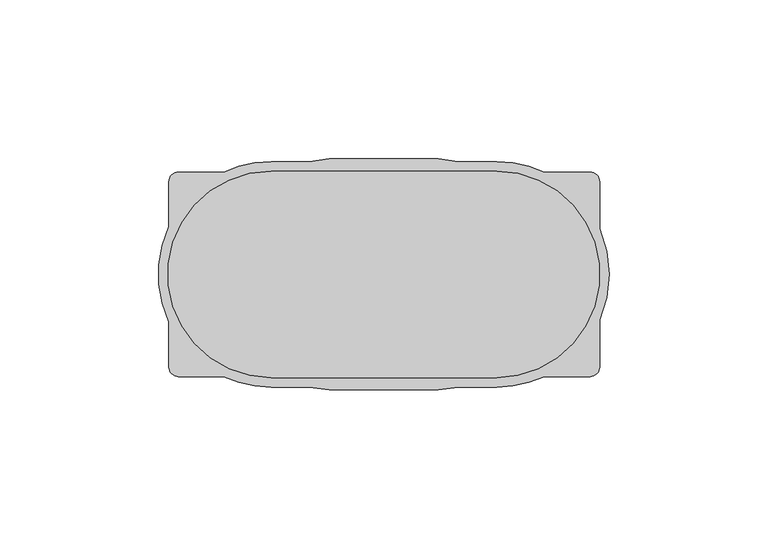
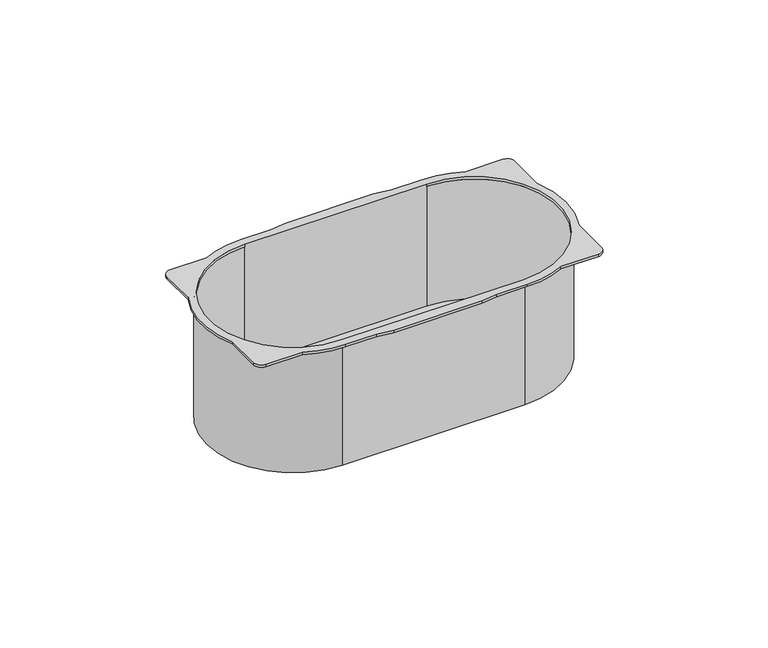
"""IFC4 building model written with IfcOpenShell, lengths in millimetres: proxy geometry."""

from ifc_helpers import new_model, si_unit, point, frame, frame_2d, origin, place, context, project, spatial, polyline, circle_curve, trimmed, segment, composite_curve, outline, extrude, source, transform, mapped, element, save
from ifc_brep_helpers import plane_surface, cylinder_surface, revolved_surface, advanced_brep


def electrical_fixtures_acc612e9(model_context):
    return source(origin(), model_context, "Body", "SolidModel", [
        advanced_brep(
        [(-35.5, 33.5, -50.0), (35.5012828, 33.5, -50.0), (35.5012828, -33.5, -50.0), (-35.5, -33.5, -50.0), (-35.5, 32.5, -50.0), (-35.5, -32.5, -50.0), (35.5012828, -32.5, -50.0), (35.5012828, 32.5, -50.0), (67.9725964, -14.3479544, 1.0), (67.9725964, 14.3479544, 1.0), (67.9725964, 29.1875, 1.0), (64.9725964, 32.1875, 1.0), (50.475088, 32.1875, 1.0), (35.5012828, 35.5, 1.0), (23.5182585, 35.5, 1.0), (17.1783104, 36.4, 1.0), (-17.1783104, 36.4, 1.0), (-23.5182585, 35.5, 1.0), (-35.5, 35.5, 1.0), (-50.4738053, 32.1875, 1.0), (-64.6875, 32.1875, 1.0), (-67.6875, 29.1875, 1.0), (-67.6875, 14.9738053, 1.0), (-67.6875, -14.9738053, 1.0), (-67.6875, -29.1875, 1.0), (-64.6875, -32.1875, 1.0), (-50.4738053, -32.1875, 1.0), (-35.5, -35.5, 1.0), (-23.5182585, -35.5, 1.0), (-17.1783104, -36.4, 1.0), (17.1783104, -36.4, 1.0), (23.5182585, -35.5, 1.0), (35.5012828, -35.5, 1.0), (50.475088, -32.1875, 1.0), (64.9725964, -32.1875, 1.0), (67.9725964, -29.1875, 1.0), (35.5012828, 32.5, 1.0), (35.5012828, -32.5, 1.0), (-35.5, -32.5, 1.0), (-35.5, 32.5, 1.0), (67.9725964, -14.3479544, 0.0), (67.9725964, -29.1875, 0.0), (64.9725964, -32.1875, 0.0), (50.475088, -32.1875, 0.0), (35.5012828, -35.5, 0.0), (23.5182585, -35.5, 0.0), (17.1783104, -36.4, 0.0), (-17.1783104, -36.4, 0.0), (-23.5182585, -35.5, 0.0), (-35.5, -35.5, 0.0), (-50.4738053, -32.1875, 0.0), (-64.6875, -32.1875, 0.0), (-67.6875, -29.1875, 0.0), (-67.6875, -14.9738053, 0.0), (-67.6875, 14.9738053, 0.0), (-67.6875, 29.1875, 0.0), (-64.6875, 32.1875, 0.0), (-50.4738053, 32.1875, 0.0), (-35.5, 35.5, 0.0), (-23.5182585, 35.5, 0.0), (-17.1783104, 36.4, 0.0), (17.1783104, 36.4, 0.0), (23.5182585, 35.5, 0.0), (35.5012828, 35.5, 0.0), (50.475088, 32.1875, 0.0), (64.9725964, 32.1875, 0.0), (67.9725964, 29.1875, 0.0), (67.9725964, 14.3479544, 0.0), (-35.5, 33.5, 0.0), (-35.5, -33.5, 0.0), (35.5012828, -33.5, 0.0), (35.5012828, 33.5, 0.0), (35.5012828, 32.5, 0.0), (35.5012828, -32.5, 0.0), (-35.5, -32.5, 0.0), (-35.5, 32.5, 0.0)],
        [
            (0, 1),
            (1, 2, circle_curve(frame((35.5012828, 0.0, -50.0), z_axis=(0.0, 0.0, -1.0), x_axis=(1.0, 0.0, 0.0)), 33.5)),
            (2, 3),
            (3, 0, circle_curve(frame((-35.5, 0.0, -50.0), z_axis=(0.0, 0.0, -1.0), x_axis=(-1.0, 0.0, 0.0)), 33.5)),
            (4, 5, circle_curve(frame((-35.5, 0.0, -50.0), z_axis=(0.0, 0.0, 1.0), x_axis=(-1.0, 0.0, 0.0)), 32.5)),
            (5, 6),
            (6, 7, circle_curve(frame((35.5012828, 0.0, -50.0), z_axis=(0.0, 0.0, 1.0), x_axis=(1.0, 0.0, 0.0)), 32.5)),
            (7, 4),
            (8, 9, circle_curve(frame((35.5012828, 0.0, 1.0), z_axis=(0.0, 0.0, 1.0), x_axis=(1.0, 0.0, 0.0)), 35.5)),
            (9, 10),
            (10, 11, circle_curve(frame((64.9725964, 29.1875, 1.0), z_axis=(0.0, 0.0, 1.0), x_axis=(-1.0, 0.0, 0.0)), 3.0)),
            (11, 12),
            (12, 13, circle_curve(frame((35.5012828, 0.0, 1.0), z_axis=(0.0, 0.0, 1.0), x_axis=(1.0, 0.0, 0.0)), 35.5)),
            (13, 14),
            (14, 15),
            (15, 16),
            (16, 17),
            (17, 18),
            (18, 19, circle_curve(frame((-35.5, 0.0, 1.0), z_axis=(0.0, 0.0, 1.0), x_axis=(-1.0, 0.0, 0.0)), 35.5)),
            (19, 20),
            (20, 21, circle_curve(frame((-64.6875, 29.1875, 1.0), z_axis=(0.0, 0.0, 1.0), x_axis=(1.0, 0.0, 0.0)), 3.0)),
            (21, 22),
            (22, 23, circle_curve(frame((-35.5, 0.0, 1.0), z_axis=(0.0, 0.0, 1.0), x_axis=(-1.0, 0.0, 0.0)), 35.5)),
            (23, 24),
            (24, 25, circle_curve(frame((-64.6875, -29.1875, 1.0), z_axis=(0.0, 0.0, 1.0), x_axis=(1.0, 0.0, 0.0)), 3.0)),
            (25, 26),
            (26, 27, circle_curve(frame((-35.5, 0.0, 1.0), z_axis=(0.0, 0.0, 1.0), x_axis=(-1.0, 0.0, 0.0)), 35.5)),
            (27, 28),
            (28, 29),
            (29, 30),
            (30, 31),
            (31, 32),
            (32, 33, circle_curve(frame((35.5012828, 0.0, 1.0), z_axis=(0.0, 0.0, 1.0), x_axis=(1.0, 0.0, 0.0)), 35.5)),
            (33, 34),
            (34, 35, circle_curve(frame((64.9725964, -29.1875, 1.0), z_axis=(0.0, 0.0, 1.0), x_axis=(-1.0, 0.0, 0.0)), 3.0)),
            (35, 8),
            (36, 37, circle_curve(frame((35.5012828, 0.0, 1.0), z_axis=(0.0, 0.0, -1.0), x_axis=(1.0, 0.0, 0.0)), 32.5)),
            (37, 38),
            (38, 39, circle_curve(frame((-35.5, 0.0, 1.0), z_axis=(0.0, 0.0, -1.0), x_axis=(-1.0, 0.0, 0.0)), 32.5)),
            (39, 36),
            (40, 41),
            (41, 42, circle_curve(frame((64.9725964, -29.1875, 0.0), z_axis=(0.0, 0.0, -1.0), x_axis=(-1.0, 0.0, 0.0)), 3.0)),
            (42, 43),
            (43, 44, circle_curve(frame((35.5012828, 0.0, 0.0), z_axis=(0.0, 0.0, -1.0), x_axis=(1.0, 0.0, 0.0)), 35.5)),
            (44, 45),
            (45, 46),
            (46, 47),
            (47, 48),
            (48, 49),
            (49, 50, circle_curve(frame((-35.5, 0.0, 0.0), z_axis=(0.0, 0.0, -1.0), x_axis=(-1.0, 0.0, 0.0)), 35.5)),
            (50, 51),
            (51, 52, circle_curve(frame((-64.6875, -29.1875, 0.0), z_axis=(0.0, 0.0, -1.0), x_axis=(1.0, 0.0, 0.0)), 3.0)),
            (52, 53),
            (53, 54, circle_curve(frame((-35.5, 0.0, 0.0), z_axis=(0.0, 0.0, -1.0), x_axis=(-1.0, 0.0, 0.0)), 35.5)),
            (54, 55),
            (55, 56, circle_curve(frame((-64.6875, 29.1875, 0.0), z_axis=(0.0, 0.0, -1.0), x_axis=(1.0, 0.0, 0.0)), 3.0)),
            (56, 57),
            (57, 58, circle_curve(frame((-35.5, 0.0, 0.0), z_axis=(0.0, 0.0, -1.0), x_axis=(-1.0, 0.0, 0.0)), 35.5)),
            (58, 59),
            (59, 60),
            (60, 61),
            (61, 62),
            (62, 63),
            (63, 64, circle_curve(frame((35.5012828, 0.0, 0.0), z_axis=(0.0, 0.0, -1.0), x_axis=(1.0, 0.0, 0.0)), 35.5)),
            (64, 65),
            (65, 66, circle_curve(frame((64.9725964, 29.1875, 0.0), z_axis=(0.0, 0.0, -1.0), x_axis=(-1.0, 0.0, 0.0)), 3.0)),
            (66, 67),
            (67, 40, circle_curve(frame((35.5012828, 0.0, 0.0), z_axis=(0.0, 0.0, -1.0), x_axis=(1.0, 0.0, 0.0)), 35.5)),
            (68, 69, circle_curve(frame((-35.5, 0.0, 0.0), z_axis=(0.0, 0.0, 1.0), x_axis=(-1.0, 0.0, 0.0)), 33.5)),
            (69, 70),
            (70, 71, circle_curve(frame((35.5012828, 0.0, 0.0), z_axis=(0.0, 0.0, 1.0), x_axis=(1.0, 0.0, 0.0)), 33.5)),
            (71, 68),
            (35, 41),
            (40, 8),
            (10, 66),
            (65, 11),
            (64, 12),
            (33, 43),
            (42, 34),
            (9, 67),
            (63, 13),
            (32, 44),
            (62, 14),
            (18, 58),
            (57, 19),
            (56, 20),
            (55, 21),
            (54, 22),
            (53, 23),
            (52, 24),
            (51, 25),
            (50, 26),
            (49, 27),
            (31, 45),
            (36, 72),
            (72, 73, circle_curve(frame((35.5012828, 0.0, 0.0), z_axis=(0.0, 0.0, -1.0), x_axis=(1.0, 0.0, 0.0)), 32.5)),
            (73, 37),
            (38, 74),
            (74, 75, circle_curve(frame((-35.5, 0.0, 0.0), z_axis=(0.0, 0.0, -1.0), x_axis=(-1.0, 0.0, 0.0)), 32.5)),
            (75, 39),
            (3, 69),
            (68, 0),
            (2, 70),
            (1, 71),
            (7, 72),
            (75, 4),
            (6, 73),
            (5, 74),
            (61, 15),
            (60, 16),
            (59, 17),
            (48, 28),
            (47, 29),
            (46, 30),
        ],
        [
            plane_surface(frame((-69.0, 0.0, -50.0), z_axis=(0.0, 0.0, -1.0), x_axis=(0.0, 1.0, 0.0))),
            plane_surface(frame((71.0012828, 0.0, 1.0), z_axis=(0.0, 0.0, 1.0), x_axis=(0.0, 1.0, 0.0))),
            plane_surface(frame((71.0012828, 0.0, 0.0), z_axis=(0.0, 0.0, -1.0), x_axis=(0.0, -1.0, 0.0))),
            plane_surface(frame((67.9725964, -29.1875, 1.0), z_axis=(1.0, 0.0, 0.0), x_axis=(0.0, 0.0, -1.0))),
            cylinder_surface(frame((64.9725964, 29.1875, 0.0), z_axis=(0.0, 0.0, 1.0), x_axis=(-1.0, 0.0, 0.0)), 3.0),
            plane_surface(frame((64.9725964, 32.1875, 1.0), z_axis=(0.0, 1.0, 0.0), x_axis=(0.0, 0.0, -1.0))),
            plane_surface(frame((50.475088, -32.1875, 1.0), z_axis=(0.0, -1.0, 0.0), x_axis=(0.0, 0.0, -1.0))),
            cylinder_surface(frame((64.9725964, -29.1875, 0.0), z_axis=(0.0, 0.0, 1.0), x_axis=(-1.0, 0.0, 0.0)), 3.0),
            plane_surface(frame((67.9725964, 14.3479544, 1.0), z_axis=(1.0, 0.0, 0.0), x_axis=(0.0, 0.0, -1.0))),
            cylinder_surface(frame((35.5012828, 0.0, 0.0), z_axis=(0.0, 0.0, 1.0), x_axis=(1.0, 0.0, 0.0)), 35.5),
            plane_surface(frame((35.5012828, 35.5, 1.0), z_axis=(0.0, 1.0, 0.0), x_axis=(0.0, 0.0, -1.0))),
            cylinder_surface(frame((-35.5, 0.0, 0.0), z_axis=(0.0, 0.0, 1.0), x_axis=(-1.0, 0.0, 0.0)), 35.5),
            plane_surface(frame((-50.4738053, 32.1875, 1.0), z_axis=(0.0, 1.0, 0.0), x_axis=(0.0, 0.0, -1.0))),
            cylinder_surface(frame((-64.6875, 29.1875, 0.0), z_axis=(0.0, 0.0, 1.0), x_axis=(1.0, 0.0, 0.0)), 3.0),
            plane_surface(frame((-67.6875, 29.1875, 1.0), z_axis=(-1.0, 0.0, 0.0), x_axis=(0.0, 0.0, -1.0))),
            plane_surface(frame((-67.6875, -14.9738053, 1.0), z_axis=(-1.0, 0.0, 0.0), x_axis=(0.0, 0.0, -1.0))),
            cylinder_surface(frame((-64.6875, -29.1875, 0.0), z_axis=(0.0, 0.0, 1.0), x_axis=(1.0, 0.0, 0.0)), 3.0),
            plane_surface(frame((-64.6875, -32.1875, 1.0), z_axis=(0.0, -1.0, 0.0), x_axis=(0.0, 0.0, -1.0))),
            plane_surface(frame((23.5182585, -35.5, 1.0), z_axis=(0.0, -1.0, 0.0), x_axis=(0.0, 0.0, -1.0))),
            revolved_surface(polyline([(68.0012828, 0.0, 0.0), (68.0012828, 0.0, 1.0)]), (35.5012828, 0.0, 0.0), (0.0, 0.0, -1.0)),
            revolved_surface(polyline([(-68.0, 0.0, 0.0), (-68.0, 0.0, 1.0)]), (-35.5, 0.0, 0.0), (0.0, 0.0, -1.0)),
            cylinder_surface(frame((-35.5, 0.0, -50.0), z_axis=(0.0, 0.0, 1.0), x_axis=(-1.0, 0.0, 0.0)), 33.5),
            plane_surface(frame((-35.5, -33.5, 0.0), z_axis=(0.0, -1.0, 0.0), x_axis=(0.0, 0.0, -1.0))),
            cylinder_surface(frame((35.5012828, 0.0, -50.0), z_axis=(0.0, 0.0, 1.0), x_axis=(1.0, 0.0, 0.0)), 33.5),
            plane_surface(frame((35.5012828, 33.5, 0.0), z_axis=(0.0, 1.0, 0.0), x_axis=(0.0, 0.0, -1.0))),
            plane_surface(frame((-35.5, 32.5, 0.0), z_axis=(0.0, -1.0, 0.0), x_axis=(0.0, 0.0, -1.0))),
            revolved_surface(polyline([(68.0012828, 0.0, -50.0), (68.0012828, 0.0, 0.0)]), (35.5012828, 0.0, 0.0), (0.0, 0.0, -1.0)),
            plane_surface(frame((35.5012828, -32.5, 0.0), z_axis=(0.0, 1.0, 0.0), x_axis=(0.0, 0.0, -1.0))),
            revolved_surface(polyline([(-68.0, 0.0, -50.0), (-68.0, 0.0, 0.0)]), (-35.5, 0.0, 0.0), (0.0, 0.0, -1.0)),
            plane_surface(frame((23.5182585, 35.5, 1.0), z_axis=(0.14054791471914727, 0.990073877883918, 0.0), x_axis=(0.0, 0.0, -1.0))),
            plane_surface(frame((17.1783104, 36.4, 1.0), z_axis=(0.0, 1.0, 0.0), x_axis=(0.0, 0.0, -1.0))),
            plane_surface(frame((-17.1783104, 36.4, 1.0), z_axis=(-0.1405479147191475, 0.990073877883918, 0.0), x_axis=(0.0, 0.0, -1.0))),
            plane_surface(frame((-23.5182585, 35.5, 1.0), z_axis=(0.0, 1.0, 0.0), x_axis=(0.0, 0.0, -1.0))),
            plane_surface(frame((-35.5, -35.5, 1.0), z_axis=(0.0, -1.0, 0.0), x_axis=(0.0, 0.0, -1.0))),
            plane_surface(frame((-23.5182585, -35.5, 1.0), z_axis=(-0.14054791471914765, -0.990073877883918, 0.0), x_axis=(0.0, 0.0, -1.0))),
            plane_surface(frame((-17.1783104, -36.4, 1.0), z_axis=(0.0, -1.0, 0.0), x_axis=(0.0, 0.0, -1.0))),
            plane_surface(frame((17.1783104, -36.4, 1.0), z_axis=(0.14054791471914707, -0.9900738778839181, 0.0), x_axis=(0.0, 0.0, -1.0))),
        ],
        [
            (0, [[1, 2, 3, 4], [5, 6, 7, 8]]),
            (1, [[9, 10, 11, 12, 13, 14, 15, 16, 17, 18, 19, 20, 21, 22, 23, 24, 25, 26, 27, 28, 29, 30, 31, 32, 33, 34, 35, 36], [37, 38, 39, 40]]),
            (2, [[41, 42, 43, 44, 45, 46, 47, 48, 49, 50, 51, 52, 53, 54, 55, 56, 57, 58, 59, 60, 61, 62, 63, 64, 65, 66, 67, 68], [69, 70, 71, 72]]),
            (3, [[-36, 73, -41, 74]]),
            (4, [[-11, 75, -66, 76]]),
            (5, [[-12, -76, -65, 77]]),
            (6, [[-34, 78, -43, 79]]),
            (7, [[-35, -79, -42, -73]]),
            (8, [[-10, 80, -67, -75]]),
            (9, [[-9, -74, -68, -80]]),
            (9, [[-13, -77, -64, 81]]),
            (9, [[-33, 82, -44, -78]]),
            (10, [[-14, -81, -63, 83]]),
            (11, [[-19, 84, -58, 85]]),
            (12, [[-20, -85, -57, 86]]),
            (13, [[-21, -86, -56, 87]]),
            (14, [[-22, -87, -55, 88]]),
            (11, [[-23, -88, -54, 89]]),
            (15, [[-24, -89, -53, 90]]),
            (16, [[-25, -90, -52, 91]]),
            (17, [[-26, -91, -51, 92]]),
            (11, [[-27, -92, -50, 93]]),
            (18, [[-32, 94, -45, -82]]),
            (19, [[-37, 95, 96, 97]]),
            (20, [[-39, 98, 99, 100]]),
            (21, [[-4, 101, -69, 102]]),
            (22, [[-3, 103, -70, -101]]),
            (23, [[-2, 104, -71, -103]]),
            (24, [[-1, -102, -72, -104]]),
            (25, [[-8, 105, -95, -40, -100, 106]]),
            (26, [[-7, 107, -96, -105]]),
            (27, [[-6, 108, -98, -38, -97, -107]]),
            (28, [[-5, -106, -99, -108]]),
            (29, [[-15, -83, -62, 109]]),
            (30, [[-16, -109, -61, 110]]),
            (31, [[-17, -110, -60, 111]]),
            (32, [[-18, -111, -59, -84]]),
            (33, [[-28, -93, -49, 112]]),
            (34, [[-29, -112, -48, 113]]),
            (35, [[-30, -113, -47, 114]]),
            (36, [[-31, -114, -46, -94]]),
        ],
    ),
        extrude(outline(composite_curve([segment(polyline([(-35.5, 32.5), (35.5012828, 32.5)]), True, "CONTINUOUS"), segment(trimmed(circle_curve(frame_2d((35.5012828, 0.0)), 32.5), [point((35.5012828, 32.5))], [point((35.5012828, -32.5))], False, "CARTESIAN"), True, "CONTINUOUS"), segment(polyline([(35.5012828, -32.5), (-35.5, -32.5)]), True, "CONTINUOUS"), segment(trimmed(circle_curve(frame_2d((-35.5, 0.0)), 32.5), [point((-35.5, -32.5))], [point((-35.5, 32.5))], False, "CARTESIAN"), True, "CONTINUOUS")], self_intersect=False)), frame((0.0, 0.0, -50.0), z_axis=(0.0, 0.0, 1.0), x_axis=(1.0, 0.0, 0.0)), (0.0, 0.0, 1.0), 1.0),
    ])


if __name__ == "__main__":
    model = new_model("IFC4")
    model_context = context("Model", 3, world=origin())
    ifc_project = project(units=[si_unit("LENGTHUNIT", "METRE", prefix="MILLI")], contexts=[model_context])
    site = spatial("IfcSite", under=ifc_project)
    building = spatial("IfcBuilding", under=site)
    placement = place(None, origin())
    electrical_fixtures_shape = electrical_fixtures_acc612e9(model_context)
    element("IfcBuildingElementProxy", 1, Name="Electrical Fixtures", at=placement, inside=building, context=model_context, shape_type="MappedRepresentation", body=[
        mapped(electrical_fixtures_shape, transform((0.0, 0.0, 0.0), x_axis=(1.0, 0.0, 0.0), y_axis=(0.0, 1.0, 0.0), z_axis=(0.0, 0.0, 1.0))),
    ])
    save(model, "model.ifc")
